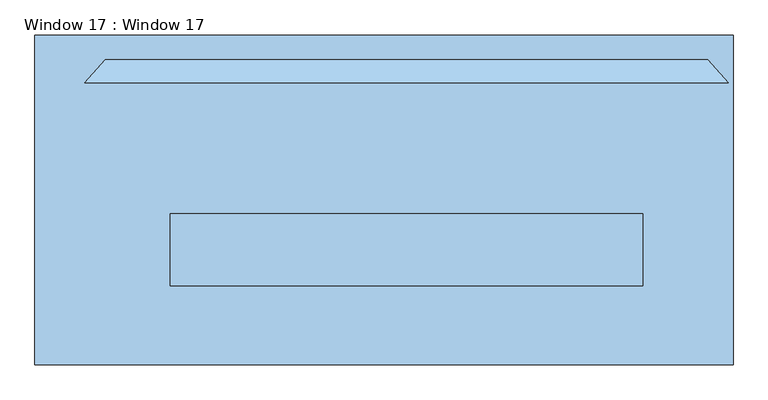
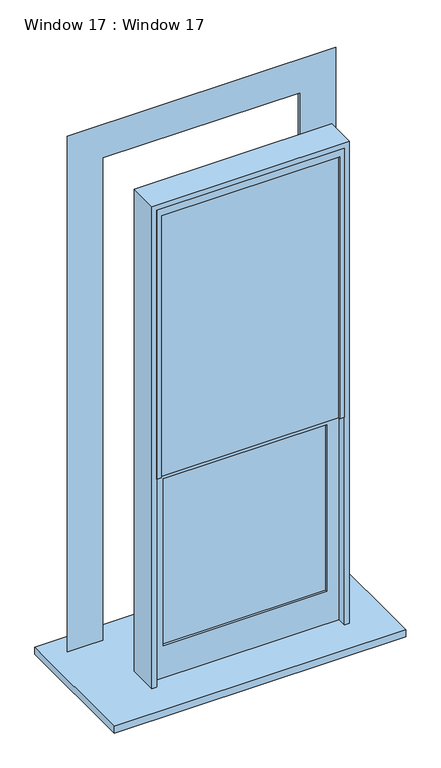
"""IFC4 building model written with IfcOpenShell, lengths in millimetres: window geometry, Window 17 : Window 17."""

from ifc_helpers import new_model, si_unit, frame, origin, place, context, project, spatial, polyline, outline, extrude, faceted_brep, source, transform, mapped, element, save


def window_17_window_17_c2fd7d1a(model_context):
    return source(origin(), model_context, "Body", "SolidModel", [
        extrude(outline(polyline([(442.1654377, -76.2), (442.1654377, -101.6), (-442.1654377, -101.6), (-442.1654377, -76.2), (442.1654377, -76.2)])), frame((0.0, 0.0, 1136.5403532), z_axis=(0.0, 0.0, 1.0), x_axis=(1.0, 0.0, 0.0)), (0.0, 0.0, 1.0), 951.2358157),
        extrude(outline(polyline([(467.5654377, -28.7440528), (467.5654377, -60.7981707), (-467.5654377, -60.7981707), (-467.5654377, -28.7440528), (467.5654377, -28.7440528)])), frame((0.0, 0.0, 1117.4903532), z_axis=(0.0, 0.0, 1.0), x_axis=(1.0, 0.0, 0.0)), (0.0, 0.0, 1.0), 19.05),
        extrude(outline(polyline([(2138.5761689, 506.5936629), (2138.5761689, -506.5936629), (952.5, -506.5936629), (952.5, 506.5936629), (2138.5761689, 506.5936629)]), holes=[polyline([(2087.7761689, 442.1654377), (1136.5403532, 442.1654377), (1136.5403532, -442.1654377), (2087.7761689, -442.1654377), (2087.7761689, 442.1654377)])]), frame((0.0, -114.3, 0.0), z_axis=(0.0, 1.0, 0.0), x_axis=(0.0, 0.0, 1.0)), (0.0, 0.0, 1.0), 53.5018293),
        extrude(outline(polyline([(736.092, 400.05), (736.092, -342.9), (-837.692, -342.9), (-837.692, 400.05), (736.092, 400.05)])), frame((0.0, 0.0, 914.4), z_axis=(0.0, 0.0, 1.0), x_axis=(1.0, 0.0, 0.0)), (0.0, 0.0, 1.0), 38.1),
        extrude(outline(polyline([(481.1936629, -127.0), (481.1936629, -152.4), (-481.1936629, -152.4), (-481.1936629, -127.0), (481.1936629, -127.0)])), frame((0.0, 0.0, 2138.5761689), z_axis=(0.0, 0.0, 1.0), x_axis=(1.0, 0.0, 0.0)), (0.0, 0.0, 1.0), 1497.1798311),
        extrude(outline(polyline([(3673.9656468, 506.5936629), (3673.9656468, -506.5936629), (2138.5761689, -506.5936629), (2138.5761689, -481.1936629), (3635.756, -481.1936629), (3635.756, 481.1936629), (2138.5761689, 481.1936629), (2138.5761689, 506.5936629), (3673.9656468, 506.5936629)])), frame((0.0, -165.1, 0.0), z_axis=(0.0, 1.0, 0.0), x_axis=(0.0, 0.0, 1.0)), (0.0, 0.0, 1.0), 50.8),
        extrude(outline(polyline([(3705.606, 532.892), (3705.606, -532.892), (952.5, -532.892), (952.5, -506.5936629), (3673.9656468, -506.5936629), (3673.9656468, 506.5936629), (952.5, 506.5936629), (952.5, 532.892), (3705.606, 532.892)])), frame((0.0, -165.1, 0.0), z_axis=(0.0, 1.0, 0.0), x_axis=(0.0, 0.0, 1.0)), (0.0, 0.0, 1.0), 162.3041042),
        faceted_brep([(532.892, 292.1, 952.5), (532.892, 310.7962122, 952.5), (599.2695017, 310.7962122, 952.5), (599.2695017, 325.9244725, 952.5), (604.8552974, 325.9244725, 952.5), (611.6553264, 319.8569351, 952.5), (621.9807572, 328.1364376, 952.5), (627.2053111, 328.1364376, 952.5), (634.5636738, 340.2869133, 952.5), (646.528647, 340.2869133, 952.5), (654.6739991, 332.449835, 952.5), (659.8233909, 332.449835, 952.5), (659.8233909, 343.9582935, 952.5), (679.0344656, 343.9582935, 952.5), (725.6750809, 292.1, 952.5), (725.6750809, 292.1, 3898.3890809), (-725.6750809, 292.1, 3898.3890809), (-725.6750809, 292.1, 952.5), (-532.892, 292.1, 952.5), (-532.892, 292.1, 3705.606), (532.892, 292.1, 3705.606), (679.0344656, 343.9582935, 3851.7484656), (659.8233909, 343.9582935, 3832.5373909), (-659.8233909, 343.9582935, 3832.5373909), (-659.8233909, 343.9582935, 952.5), (-679.0344656, 343.9582935, 952.5), (-679.0344656, 343.9582935, 3851.7484656), (659.8233909, 332.449835, 3832.5373909), (654.6739991, 332.449835, 3827.3879991), (-654.6739991, 332.449835, 3827.3879991), (-654.6739991, 332.449835, 952.5), (-659.8233909, 332.449835, 952.5), (-659.8233909, 332.449835, 3832.5373909), (646.528647, 340.2869133, 3819.242647), (634.5636738, 340.2869133, 3807.2776738), (-634.5636738, 340.2869133, 3807.2776738), (-634.5636738, 340.2869133, 952.5), (-646.528647, 340.2869133, 952.5), (-646.528647, 340.2869133, 3819.242647), (627.2053111, 328.1364376, 3799.9193111), (621.9807572, 328.1364376, 3794.6947572), (-621.9807572, 328.1364376, 3794.6947572), (-621.9807572, 328.1364376, 952.5), (-627.2053111, 328.1364376, 952.5), (-627.2053111, 328.1364376, 3799.9193111), (611.6553264, 319.8569351, 3784.3693264), (604.8552974, 325.9244725, 3777.5692974), (599.2695017, 325.9244725, 3771.9835017), (-599.2695017, 325.9244725, 3771.9835017), (-599.2695017, 325.9244725, 952.5), (-604.8552974, 325.9244725, 952.5), (-604.8552974, 325.9244725, 3777.5692974), (599.2695017, 310.7962122, 3771.9835017), (532.892, 310.7962122, 3705.606), (-532.892, 310.7962122, 3705.606), (-532.892, 310.7962122, 952.5), (-599.2695017, 310.7962122, 952.5), (-599.2695017, 310.7962122, 3771.9835017), (-611.6553264, 319.8569351, 952.5), (-611.6553264, 319.8569351, 3784.3693264)], [[[0, 1, 2, 3, 4, 5, 6, 7, 8, 9, 10, 11, 12, 13, 14]], [[14, 15, 16, 17, 18, 19, 20, 0]], [[13, 21, 15, 14]], [[12, 22, 23, 24, 25, 26, 21, 13]], [[11, 27, 22, 12]], [[10, 28, 29, 30, 31, 32, 27, 11]], [[9, 33, 28, 10]], [[8, 34, 35, 36, 37, 38, 33, 9]], [[7, 39, 34, 8]], [[6, 40, 41, 42, 43, 44, 39, 7]], [[5, 45, 40, 6]], [[4, 46, 45, 5]], [[3, 47, 48, 49, 50, 51, 46, 4]], [[2, 52, 47, 3]], [[1, 53, 54, 55, 56, 57, 52, 2]], [[0, 20, 53, 1]], [[18, 17, 25, 24, 31, 30, 37, 36, 43, 42, 58, 50, 49, 56, 55]], [[19, 18, 55, 54]], [[57, 56, 49, 48]], [[51, 50, 58, 59]], [[59, 58, 42, 41]], [[44, 43, 36, 35]], [[38, 37, 30, 29]], [[32, 31, 24, 23]], [[26, 25, 17, 16]], [[20, 19, 54, 53]], [[21, 26, 16, 15]], [[27, 32, 23, 22]], [[33, 38, 29, 28]], [[39, 44, 35, 34]], [[45, 59, 41, 40]], [[46, 51, 59, 45]], [[52, 57, 48, 47]]]),
    ])


if __name__ == "__main__":
    model = new_model("IFC4")
    model_context = context("Model", 3, world=origin())
    ifc_project = project(units=[si_unit("LENGTHUNIT", "METRE", prefix="MILLI")], contexts=[model_context])
    site = spatial("IfcSite", under=ifc_project)
    building = spatial("IfcBuilding", under=site)
    placement = place(None, origin())
    window_17_window_17_shape = window_17_window_17_c2fd7d1a(model_context)
    element("IfcWindow", 1, ObjectType="Window 17 : Window 17", at=placement, inside=building, context=model_context, shape_type="MappedRepresentation", body=[
        mapped(window_17_window_17_shape, transform((0.0, 0.0, 0.0), x_axis=(1.0, 0.0, 0.0), y_axis=(0.0, 1.0, 0.0), z_axis=(0.0, 0.0, 1.0))),
    ])
    save(model, "model.ifc")
